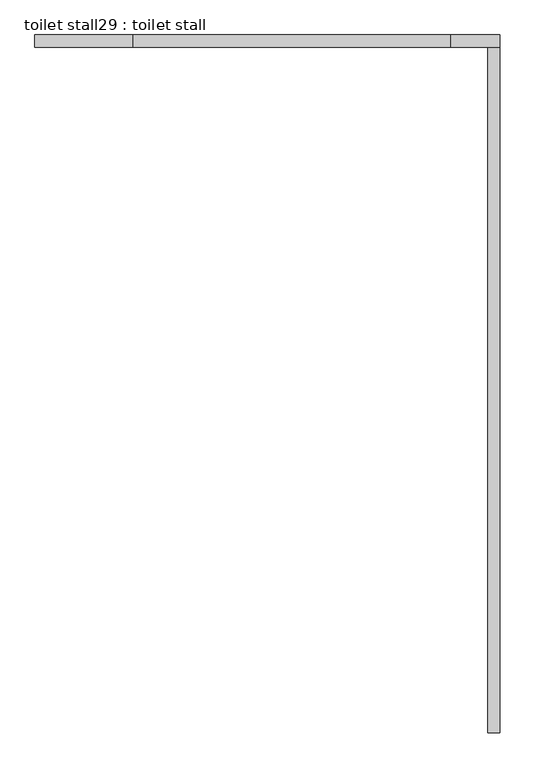
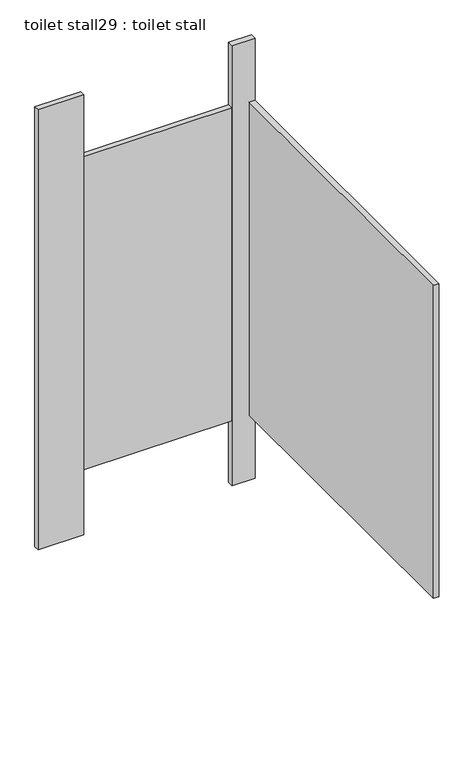
"""IFC4 building model written with IfcOpenShell, lengths in millimetres: proxy geometry, toilet stall29 : toilet stall."""

from ifc_helpers import new_model, si_unit, frame, origin, origin_with_axes, place, context, project, spatial, polyline, outline, extrude, source, transform, mapped, element, save


def toilet_stall29_toilet_stall_ebeca9e7(model_context):
    return source(origin(), model_context, "Body", "SweptSolid", [
        extrude(outline(polyline([(443522.3112284, -351409.8080223), (443319.1112284, -351409.8080223), (443319.1112284, -351384.4080223), (443522.3112284, -351384.4080223), (443522.3112284, -351409.8080223)])), origin_with_axes(), (0.0, 0.0, 1.0), 2070.1),
        extrude(outline(polyline([(444284.3112284, -351409.8080223), (444182.7112284, -351409.8080223), (444182.7112284, -351384.4080223), (444284.3112284, -351384.4080223), (444284.3112284, -351409.8080223)])), origin_with_axes(), (0.0, 0.0, 1.0), 2070.1),
        extrude(outline(polyline([(444284.3112284, -351409.8080223), (444284.3112284, -352832.2080223), (444258.9112284, -352832.2080223), (444258.9112284, -351409.8080223), (444284.3112284, -351409.8080223)])), frame((0.0, 0.0, 304.8), z_axis=(0.0, 0.0, 1.0), x_axis=(1.0, 0.0, 0.0)), (0.0, 0.0, 1.0), 1473.2),
        extrude(outline(polyline([(444182.7112284, -351409.8080223), (443522.3112284, -351409.8080223), (443522.3112284, -351384.4080223), (444182.7112284, -351384.4080223), (444182.7112284, -351409.8080223)])), frame((0.0, 0.0, 304.8), z_axis=(0.0, 0.0, 1.0), x_axis=(1.0, 0.0, 0.0)), (0.0, 0.0, 1.0), 1473.2),
    ])


if __name__ == "__main__":
    model = new_model("IFC4")
    model_context = context("Model", 3, world=origin())
    ifc_project = project(units=[si_unit("LENGTHUNIT", "METRE", prefix="MILLI")], contexts=[model_context])
    site = spatial("IfcSite", under=ifc_project)
    building = spatial("IfcBuilding", under=site)
    placement = place(None, origin())
    toilet_stall29_toilet_stall_shape = toilet_stall29_toilet_stall_ebeca9e7(model_context)
    element("IfcBuildingElementProxy", 1, Name="toilet stall29 : toilet stall", ObjectType="toilet stall29 : toilet stall", at=placement, inside=building, context=model_context, shape_type="MappedRepresentation", body=[
        mapped(toilet_stall29_toilet_stall_shape, transform((0.0, 0.0, 0.0), x_axis=(1.0, 0.0, 0.0), y_axis=(0.0, 1.0, 0.0), z_axis=(0.0, 0.0, 1.0))),
    ])
    save(model, "model.ifc")
